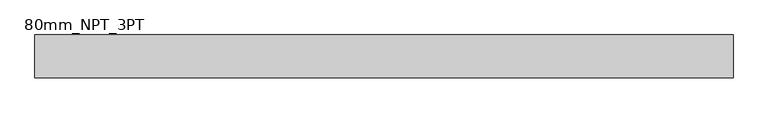
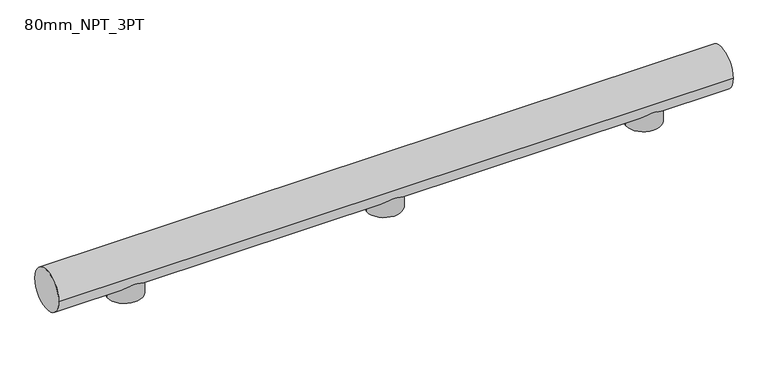
"""IFC4 building model written with IfcOpenShell, lengths in millimetres: proxy geometry, 80mm_NPT_3PT."""

from ifc_helpers import new_model, si_unit, point, frame, frame_2d, origin, place, context, project, spatial, circle_curve, trimmed, segment, composite_curve, outline, extrude, source, transform, mapped, element, save


def proxy_80mm_npt_3pt_3a68dedb(model_context):
    return source(origin(), model_context, "Body", "SweptSolid", [
        extrude(outline(composite_curve([segment(trimmed(circle_curve(frame_2d((750.0, 0.0)), 33.5), [point((716.5, 0.0))], [point((783.5, 0.0))], False, "CARTESIAN"), True, "CONTINUOUS"), segment(trimmed(circle_curve(frame_2d((750.0, 0.0)), 33.5), [point((783.5, 0.0))], [point((716.5, 0.0))], False, "CARTESIAN"), True, "CONTINUOUS")], self_intersect=False)), frame((0.0, 0.0, -17.10201), z_axis=(0.0, 0.0, 1.0), x_axis=(1.0, 0.0, 0.0)), (0.0, 0.0, 1.0), 67.4327816),
        extrude(outline(composite_curve([segment(trimmed(circle_curve(frame_2d((250.0, 0.0)), 33.5), [point((216.5, 0.0))], [point((283.5, 0.0))], False, "CARTESIAN"), True, "CONTINUOUS"), segment(trimmed(circle_curve(frame_2d((250.0, 0.0)), 33.5), [point((283.5, 0.0))], [point((216.5, 0.0))], False, "CARTESIAN"), True, "CONTINUOUS")], self_intersect=False)), frame((0.0, 0.0, -17.10201), z_axis=(0.0, 0.0, 1.0), x_axis=(1.0, 0.0, 0.0)), (0.0, 0.0, 1.0), 67.4327816),
        extrude(outline(composite_curve([segment(trimmed(circle_curve(frame_2d((-250.0, 0.0)), 33.5), [point((-283.5, 0.0))], [point((-216.5, 0.0))], False, "CARTESIAN"), True, "CONTINUOUS"), segment(trimmed(circle_curve(frame_2d((-250.0, 0.0)), 33.5), [point((-216.5, 0.0))], [point((-283.5, 0.0))], False, "CARTESIAN"), True, "CONTINUOUS")], self_intersect=False)), frame((0.0, 0.0, -17.10201), z_axis=(0.0, 0.0, 1.0), x_axis=(1.0, 0.0, 0.0)), (0.0, 0.0, 1.0), 67.4327816),
        extrude(outline(composite_curve([segment(trimmed(circle_curve(frame_2d((0.0, 40.0)), 40.0), [point((-40.0, 40.0))], [point((40.0, 40.0))], False, "CARTESIAN"), True, "CONTINUOUS"), segment(trimmed(circle_curve(frame_2d((0.0, 40.0)), 40.0), [point((40.0, 40.0))], [point((-40.0, 40.0))], False, "CARTESIAN"), True, "CONTINUOUS")], self_intersect=False)), frame((-400.0, 0.0, 0.0), z_axis=(1.0, 0.0, 0.0), x_axis=(0.0, 1.0, 0.0)), (0.0, 0.0, 1.0), 1300.0),
    ])


if __name__ == "__main__":
    model = new_model("IFC4")
    model_context = context("Model", 3, world=origin())
    ifc_project = project(units=[si_unit("LENGTHUNIT", "METRE", prefix="MILLI")], contexts=[model_context])
    site = spatial("IfcSite", under=ifc_project)
    building = spatial("IfcBuilding", under=site)
    placement = place(None, origin())
    proxy_80mm_npt_3pt_shape = proxy_80mm_npt_3pt_3a68dedb(model_context)
    element("IfcBuildingElementProxy", 1, Name="80mm_NPT_3PT", ObjectType="80mm_NPT_3PT", at=placement, inside=building, context=model_context, shape_type="MappedRepresentation", body=[
        mapped(proxy_80mm_npt_3pt_shape, transform((0.0, 0.0, 0.0), x_axis=(1.0, 0.0, 0.0), y_axis=(0.0, 1.0, 0.0), z_axis=(0.0, 0.0, 1.0))),
    ])
    save(model, "model.ifc")
